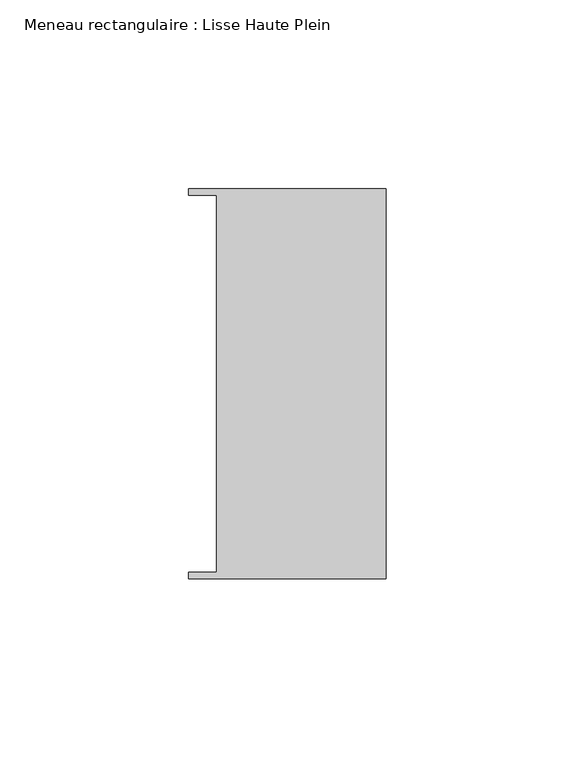
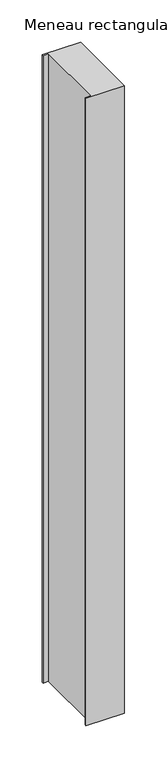
"""IFC4 building model written with IfcOpenShell, lengths in millimetres: member geometry, Meneau rectangulaire : Lisse Haute Plein."""

from ifc_helpers import new_model, si_unit, frame, origin, place, context, project, spatial, polyline, outline, extrude, source, transform, mapped, element, save


def meneau_rectangulaire_lisse_haute_plein_b642a1c3(model_context):
    return source(origin(), model_context, "Body", "SweptSolid", [
        extrude(outline(polyline([(-44.9064331, 49.9174073), (-52.3, 49.9174073), (-52.3, 51.585934), (0.0, 51.585934), (0.0, -51.6011428), (-52.3, -51.6011428), (-52.3, -49.9174073), (-44.9064331, -49.9174073), (-44.9064331, 49.9174073)])), frame((0.0, 0.0, -905.3555092), z_axis=(0.0, 0.0, 1.0), x_axis=(1.0, 0.0, 0.0)), (0.0, 0.0, 1.0), 905.3555092),
    ])


if __name__ == "__main__":
    model = new_model("IFC4")
    model_context = context("Model", 3, world=origin())
    ifc_project = project(units=[si_unit("LENGTHUNIT", "METRE", prefix="MILLI")], contexts=[model_context])
    site = spatial("IfcSite", under=ifc_project)
    building = spatial("IfcBuilding", under=site)
    placement = place(None, origin())
    meneau_rectangulaire_lisse_haute_plein_shape = meneau_rectangulaire_lisse_haute_plein_b642a1c3(model_context)
    element("IfcMember", 1, ObjectType="Meneau rectangulaire : Lisse Haute Plein", at=placement, inside=building, context=model_context, shape_type="MappedRepresentation", body=[
        mapped(meneau_rectangulaire_lisse_haute_plein_shape, transform((0.0, 0.0, 0.0), x_axis=(1.0, 0.0, 0.0), y_axis=(0.0, 1.0, 0.0), z_axis=(0.0, 0.0, 1.0))),
    ])
    save(model, "model.ifc")
